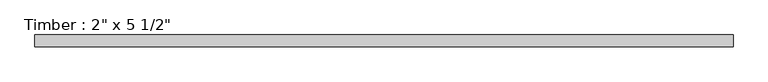
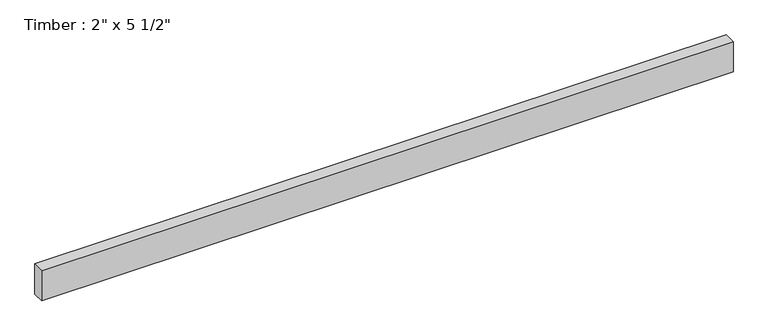
"""IFC4 building model written with IfcOpenShell, lengths in millimetres: beam geometry."""

from ifc_helpers import new_model, si_unit, frame, origin, place, context, project, spatial, polyline, outline, extrude, source, transform, mapped, element, save


def beam_3e2c71d3(model_context):
    return source(origin(), model_context, "Body", "SweptSolid", [
        extrude(outline(polyline([(1511.9595872, 25.4), (1511.9595872, -25.4), (-1511.9595872, -25.4), (-1511.9595872, 25.4), (1511.9595872, 25.4)])), frame((0.0, 0.0, -69.85), z_axis=(0.0, 0.0, 1.0), x_axis=(1.0, 0.0, 0.0)), (0.0, 0.0, 1.0), 139.7),
    ])


if __name__ == "__main__":
    model = new_model("IFC4")
    model_context = context("Model", 3, world=origin())
    ifc_project = project(units=[si_unit("LENGTHUNIT", "METRE", prefix="MILLI")], contexts=[model_context])
    site = spatial("IfcSite", under=ifc_project)
    building = spatial("IfcBuilding", under=site)
    placement = place(None, origin())
    beam_shape = beam_3e2c71d3(model_context)
    element("IfcBeam", 1, ObjectType="Timber : 2\" x 5 1/2\"", at=placement, inside=building, context=model_context, shape_type="MappedRepresentation", body=[
        mapped(beam_shape, transform((0.0, 0.0, 0.0), x_axis=(1.0, 0.0, 0.0), y_axis=(0.0, 1.0, 0.0), z_axis=(0.0, 0.0, 1.0))),
    ])
    save(model, "model.ifc")
